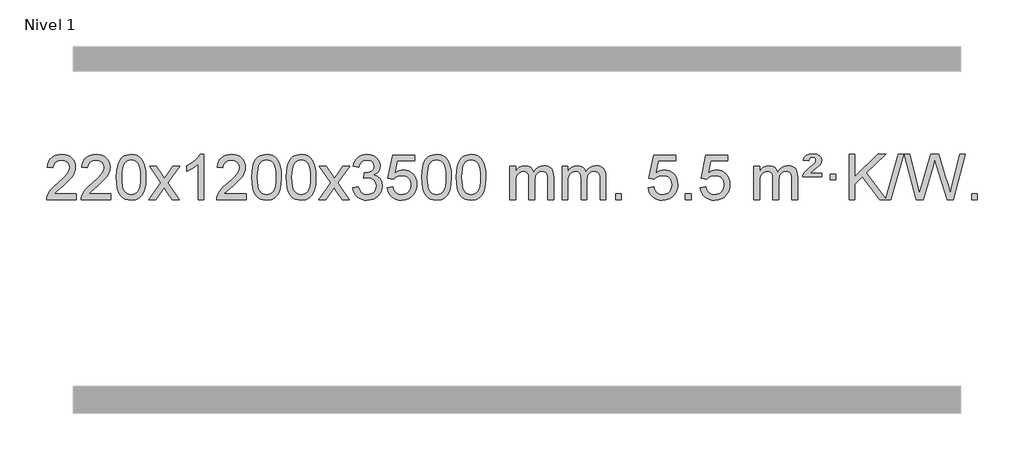
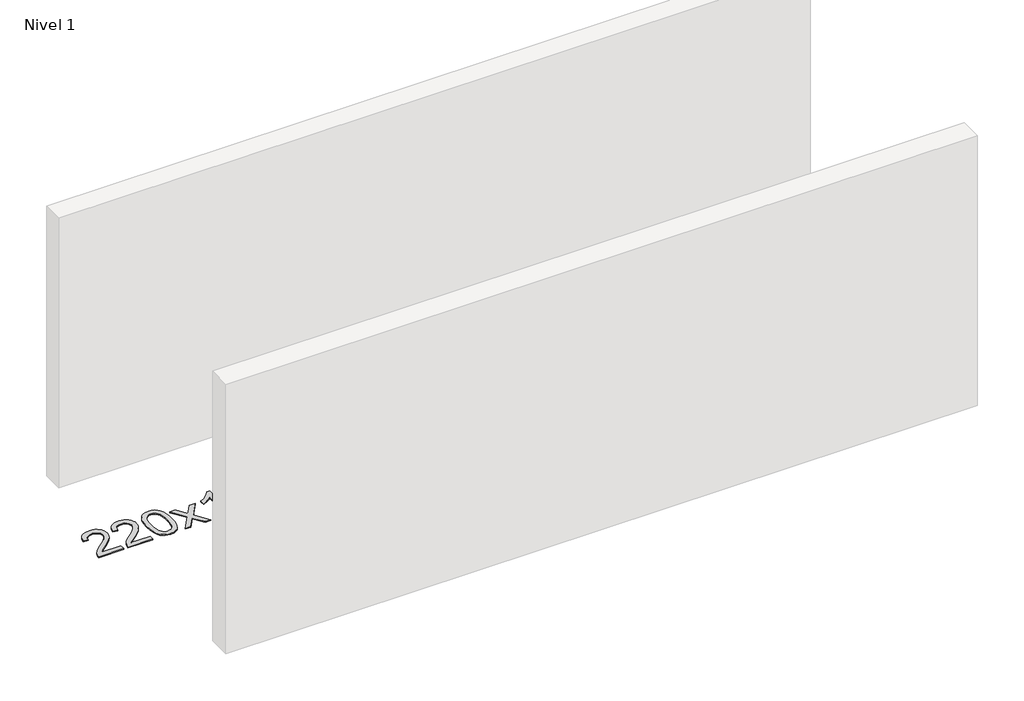
# One storey, part 6 of 14: 1 proxy.
"""IFC4 building model written with IfcOpenShell, lengths in millimetres."""

from ifc_helpers import new_model, si_unit, origin, origin_with_axes, place, context, project, spatial, polyline, outline, extrude, element, save

model = new_model("IFC4")

# Units and contexts
model_context = context("Model", 3, world=origin())
ifc_project = project(units=[si_unit("LENGTHUNIT", "METRE", prefix="MILLI")], contexts=[model_context])

# Site, building, storey
site = spatial("IfcSite", under=ifc_project)
building = spatial("IfcBuilding", under=site)
storey = spatial("IfcBuildingStorey", under=building, Name="Nivel 1", Elevation=0.0)

# Proxy
placement = place(None, origin())
element("IfcBuildingElementProxy", 1, Name="Texto de modelo 1", ObjectType="Texto de modelo 1", at=placement, inside=storey, context=model_context, shape_type="SweptSolid", body=[
    extrude(outline(polyline([(-206.3978655, -21465.3512979), (-206.3978655, -21515.579453), (-470.0956797, -21515.579453), (-468.9920337, -21497.8965918), (-464.7000771, -21480.9494945), (-452.3147166, -21453.8856424), (-434.190397, -21427.6311307), (-407.9726734, -21400.1503456), (-371.3071012, -21369.4076736), (-317.1058206, -21321.2641831), (-284.5850522, -21285.7267824), (-268.3246681, -21256.884834), (-262.90454, -21228.8277005), (-268.0180997, -21203.6768347), (-283.3587789, -21182.7688747), (-306.9400148, -21168.6789943), (-336.7752446, -21163.9823675), (-368.1065279, -21168.5686297), (-392.4480532, -21182.3274163), (-408.1566144, -21204.1796068), (-413.5890052, -21233.0460807), (-463.8171603, -21226.7675613), (-459.4976125, -21200.838012), (-451.6402663, -21178.1826125), (-440.2451215, -21158.8013627), (-425.3121781, -21142.6942627), (-407.1847928, -21130.0329907), (-386.206322, -21120.989225), (-362.3767658, -21115.5629655), (-335.6961241, -21113.7542124), (-308.7763591, -21115.7653006), (-284.8180442, -21121.7985654), (-263.8211793, -21131.8540066), (-245.7857645, -21145.9316242), (-231.3004109, -21162.9890861), (-220.9537298, -21181.9840598), (-214.7457211, -21202.9165453), (-212.6763849, -21225.7865427), (-214.9082024, -21249.8092369), (-221.6036547, -21273.4149983), (-233.4862431, -21297.4254299), (-251.2794689, -21322.6621347), (-279.6431708, -21352.7916701), (-323.2371872, -21391.4805933), (-381.0191859, -21439.795762), (-403.6807168, -21465.3512979), (-206.3978655, -21465.3512979)])), origin_with_axes(), (0.0, 0.0, 1.0), 10.0),
    extrude(outline(polyline([(101.2495843, -21465.3512979), (101.2495843, -21515.579453), (-162.4482298, -21515.579453), (-161.3445839, -21497.8965918), (-157.0526273, -21480.9494945), (-144.6672667, -21453.8856424), (-126.5429471, -21427.6311307), (-100.3252236, -21400.1503456), (-63.6596514, -21369.4076736), (-9.4583708, -21321.2641831), (23.0623976, -21285.7267824), (39.3227818, -21256.884834), (44.7429098, -21228.8277005), (39.6293501, -21203.6768347), (24.2886709, -21182.7688747), (0.707435, -21168.6789943), (-29.1277948, -21163.9823675), (-60.4590781, -21168.5686297), (-84.8006034, -21182.3274163), (-100.5091646, -21204.1796068), (-105.9415554, -21233.0460807), (-156.1697105, -21226.7675613), (-151.8501627, -21200.838012), (-143.9928164, -21178.1826125), (-132.5976716, -21158.8013627), (-117.6647283, -21142.6942627), (-99.537343, -21130.0329907), (-78.5588722, -21120.989225), (-54.729316, -21115.5629655), (-28.0486743, -21113.7542124), (-1.1289093, -21115.7653006), (22.8294057, -21121.7985654), (43.8262705, -21131.8540066), (61.8616853, -21145.9316242), (76.3470389, -21162.9890861), (86.69372, -21181.9840598), (92.9017287, -21202.9165453), (94.9710649, -21225.7865427), (92.7392475, -21249.8092369), (86.0437952, -21273.4149983), (74.1612067, -21297.4254299), (56.3679809, -21322.6621347), (28.0042791, -21352.7916701), (-15.5897374, -21391.4805933), (-73.3717361, -21439.795762), (-96.033267, -21465.3512979), (101.2495843, -21465.3512979)])), origin_with_axes(), (0.0, 0.0, 1.0), 10.0),
    extrude(outline(polyline([(151.4777394, -21317.9041943), (155.1688221, -21253.5861588), (166.2420701, -21202.2911459), (184.5871189, -21163.2343407), (196.4451819, -21148.0009605), (210.0936039, -21135.6309284), (225.5783702, -21126.0598651), (242.9454661, -21119.2233914), (283.3266464, -21113.7542124), (314.277785, -21116.991574), (341.9915619, -21126.7036586), (365.1681276, -21142.5103217), (382.5076323, -21164.0314184), (395.6042314, -21191.0830078), (406.05208, -21223.4811488), (412.8946851, -21264.6226186), (415.1755535, -21317.9041943), (411.521259, -21381.8543477), (400.5583756, -21433.0267333), (382.3236913, -21472.1203266), (370.4932195, -21487.3996922), (356.8539945, -21499.8341036), (341.3508341, -21509.4695462), (323.928556, -21516.3520052), (283.3266464, -21521.8579724), (255.6619204, -21519.4667394), (231.1364541, -21512.2930405), (209.7502474, -21500.3368757), (191.5033004, -21483.5982449), (173.9921175, -21453.3399508), (161.4841296, -21415.6381776), (153.9793369, -21370.4929255), (151.4777394, -21317.9041943)]), holes=[polyline([(201.7058944, -21317.8060924), (203.1774224, -21361.4706195), (207.5920064, -21396.8148822), (214.9496463, -21423.8388804), (225.2503421, -21442.5426142), (237.709279, -21455.2682656), (251.5416421, -21464.3580165), (266.7474312, -21469.8118671), (283.3266464, -21471.6298173), (299.9058617, -21469.8057357), (315.1116508, -21464.3334911), (328.9440138, -21455.2130833), (341.4029507, -21442.4445124), (351.7036466, -21423.7101217), (359.0612865, -21396.6922549), (363.4758705, -21361.3909118), (364.9473984, -21317.8060924), (363.5249214, -21275.2973278), (359.2574902, -21240.5753989), (352.145105, -21213.6403055), (342.1877657, -21194.4920476), (329.9372952, -21181.1440625), (315.9455167, -21171.6097875), (300.21243, -21165.8892225), (282.7380352, -21163.9823675), (266.2446591, -21165.6623619), (251.2963874, -21170.7023452), (237.89322, -21179.1023175), (226.0351571, -21190.8622786), (215.3911047, -21211.708925), (207.7882101, -21239.8151094), (203.2264734, -21275.1808319), (201.7058944, -21317.8060924)])]), origin_with_axes(), (0.0, 0.0, 1.0), 10.0),
    extrude(outline(polyline([(440.2896311, -21515.579453), (547.6130718, -21367.2494325), (446.5681504, -21220.4890419), (506.9988995, -21220.4890419), (555.7555266, -21291.122385), (578.5151594, -21324.4770192), (598.2336343, -21297.2047007), (653.7592901, -21220.4890419), (714.1900392, -21220.4890419), (608.0438209, -21367.2494325), (710.2659646, -21515.579453), (649.8352155, -21515.579453), (588.3253459, -21426.4048574), (577.0436314, -21410.1199477), (500.7203801, -21515.579453), (440.2896311, -21515.579453)])), origin_with_axes(), (0.0, 0.0, 1.0), 10.0),
    extrude(outline(polyline([(930.014143, -21515.579453), (879.785988, -21515.579453), (879.785988, -21202.4382987), (858.8167142, -21219.3976587), (832.2065832, -21236.3324932), (779.3296778, -21261.6918254), (779.3296778, -21214.2105225), (818.7788904, -21192.7507395), (852.9551278, -21167.219729), (879.8963526, -21140.0700378), (897.6405275, -21113.7542124), (930.014143, -21113.7542124), (930.014143, -21515.579453)])), origin_with_axes(), (0.0, 0.0, 1.0), 10.0),
    extrude(outline(polyline([(1306.7253061, -21465.3512979), (1306.7253061, -21515.579453), (1043.0274919, -21515.579453), (1044.1311379, -21497.8965918), (1048.4230945, -21480.9494945), (1060.808455, -21453.8856424), (1078.9327747, -21427.6311307), (1105.1504982, -21400.1503456), (1141.8160704, -21369.4076736), (1196.017351, -21321.2641831), (1228.5381194, -21285.7267824), (1244.7985036, -21256.884834), (1250.2186316, -21228.8277005), (1245.1050719, -21203.6768347), (1229.7643927, -21182.7688747), (1206.1831568, -21168.6789943), (1176.347927, -21163.9823675), (1145.0166437, -21168.5686297), (1120.6751184, -21182.3274163), (1104.9665572, -21204.1796068), (1099.5341664, -21233.0460807), (1049.3060113, -21226.7675613), (1053.6255591, -21200.838012), (1061.4829054, -21178.1826125), (1072.8780502, -21158.8013627), (1087.8109935, -21142.6942627), (1105.9383788, -21130.0329907), (1126.9168496, -21120.989225), (1150.7464058, -21115.5629655), (1177.4270475, -21113.7542124), (1204.3468125, -21115.7653006), (1228.3051275, -21121.7985654), (1249.3019923, -21131.8540066), (1267.3374071, -21145.9316242), (1281.8227607, -21162.9890861), (1292.1694418, -21181.9840598), (1298.3774505, -21202.9165453), (1300.4467867, -21225.7865427), (1298.2149693, -21249.8092369), (1291.519517, -21273.4149983), (1279.6369285, -21297.4254299), (1261.8437027, -21322.6621347), (1233.4800009, -21352.7916701), (1189.8859844, -21391.4805933), (1132.1039857, -21439.795762), (1109.4424548, -21465.3512979), (1306.7253061, -21465.3512979)])), origin_with_axes(), (0.0, 0.0, 1.0), 10.0),
    extrude(outline(polyline([(1356.9534612, -21317.9041943), (1360.6445439, -21253.5861588), (1371.7177919, -21202.2911459), (1390.0628407, -21163.2343407), (1401.9209037, -21148.0009605), (1415.5693257, -21135.6309284), (1431.054092, -21126.0598651), (1448.4211879, -21119.2233914), (1488.8023682, -21113.7542124), (1519.7535068, -21116.991574), (1547.4672837, -21126.7036586), (1570.6438494, -21142.5103217), (1587.9833541, -21164.0314184), (1601.0799532, -21191.0830078), (1611.5278018, -21223.4811488), (1618.3704069, -21264.6226186), (1620.6512753, -21317.9041943), (1616.9969808, -21381.8543477), (1606.0340974, -21433.0267333), (1587.7994131, -21472.1203266), (1575.9689413, -21487.3996922), (1562.3297163, -21499.8341036), (1546.8265559, -21509.4695462), (1529.4042778, -21516.3520052), (1488.8023682, -21521.8579724), (1461.1376422, -21519.4667394), (1436.6121759, -21512.2930405), (1415.2259692, -21500.3368757), (1396.9790222, -21483.5982449), (1379.4678393, -21453.3399508), (1366.9598514, -21415.6381776), (1359.4550587, -21370.4929255), (1356.9534612, -21317.9041943)]), holes=[polyline([(1407.1816162, -21317.8060924), (1408.6531442, -21361.4706195), (1413.0677282, -21396.8148822), (1420.4253681, -21423.8388804), (1430.7260639, -21442.5426142), (1443.1850008, -21455.2682656), (1457.0173639, -21464.3580165), (1472.223153, -21469.8118671), (1488.8023682, -21471.6298173), (1505.3815835, -21469.8057357), (1520.5873726, -21464.3334911), (1534.4197356, -21455.2130833), (1546.8786725, -21442.4445124), (1557.1793684, -21423.7101217), (1564.5370083, -21396.6922549), (1568.9515923, -21361.3909118), (1570.4231202, -21317.8060924), (1569.0006432, -21275.2973278), (1564.733212, -21240.5753989), (1557.6208268, -21213.6403055), (1547.6634875, -21194.4920476), (1535.413017, -21181.1440625), (1521.4212385, -21171.6097875), (1505.6881518, -21165.8892225), (1488.213757, -21163.9823675), (1471.7203809, -21165.6623619), (1456.7721092, -21170.7023452), (1443.3689418, -21179.1023175), (1431.5108789, -21190.8622786), (1420.8668265, -21211.708925), (1413.2639319, -21239.8151094), (1408.7021952, -21275.1808319), (1407.1816162, -21317.8060924)])]), origin_with_axes(), (0.0, 0.0, 1.0), 10.0),
    extrude(outline(polyline([(1664.600911, -21317.9041943), (1668.2919937, -21253.5861588), (1679.3652417, -21202.2911459), (1697.7102906, -21163.2343407), (1709.5683535, -21148.0009605), (1723.2167756, -21135.6309284), (1738.7015419, -21126.0598651), (1756.0686377, -21119.2233914), (1796.4498181, -21113.7542124), (1827.4009566, -21116.991574), (1855.1147336, -21126.7036586), (1878.2912993, -21142.5103217), (1895.630804, -21164.0314184), (1908.727403, -21191.0830078), (1919.1752517, -21223.4811488), (1926.0178568, -21264.6226186), (1928.2987251, -21317.9041943), (1924.6444307, -21381.8543477), (1913.6815472, -21433.0267333), (1895.446863, -21472.1203266), (1883.6163911, -21487.3996922), (1869.9771662, -21499.8341036), (1854.4740058, -21509.4695462), (1837.0517276, -21516.3520052), (1796.4498181, -21521.8579724), (1768.785092, -21519.4667394), (1744.2596257, -21512.2930405), (1722.873419, -21500.3368757), (1704.6264721, -21483.5982449), (1687.1152891, -21453.3399508), (1674.6073013, -21415.6381776), (1667.1025086, -21370.4929255), (1664.600911, -21317.9041943)]), holes=[polyline([(1714.8290661, -21317.8060924), (1716.3005941, -21361.4706195), (1720.715178, -21396.8148822), (1728.0728179, -21423.8388804), (1738.3735138, -21442.5426142), (1750.8324507, -21455.2682656), (1764.6648137, -21464.3580165), (1779.8706028, -21469.8118671), (1796.4498181, -21471.6298173), (1813.0290333, -21469.8057357), (1828.2348225, -21464.3334911), (1842.0671855, -21455.2130833), (1854.5261224, -21442.4445124), (1864.8268182, -21423.7101217), (1872.1844581, -21396.6922549), (1876.5990421, -21361.3909118), (1878.0705701, -21317.8060924), (1876.648093, -21275.2973278), (1872.3806619, -21240.5753989), (1865.2682766, -21213.6403055), (1855.3109373, -21194.4920476), (1843.0604669, -21181.1440625), (1829.0686883, -21171.6097875), (1813.3356016, -21165.8892225), (1795.8612069, -21163.9823675), (1779.3678308, -21165.6623619), (1764.419559, -21170.7023452), (1751.0163917, -21179.1023175), (1739.1583287, -21190.8622786), (1728.5142763, -21211.708925), (1720.9113817, -21239.8151094), (1716.349645, -21275.1808319), (1714.8290661, -21317.8060924)])]), origin_with_axes(), (0.0, 0.0, 1.0), 10.0),
    extrude(outline(polyline([(1953.4128027, -21515.579453), (2060.7362434, -21367.2494325), (1959.6913221, -21220.4890419), (2020.1220711, -21220.4890419), (2068.8786982, -21291.122385), (2091.638331, -21324.4770192), (2111.3568059, -21297.2047007), (2166.8824617, -21220.4890419), (2227.3132108, -21220.4890419), (2121.1669925, -21367.2494325), (2223.3891362, -21515.579453), (2162.9583871, -21515.579453), (2101.4485175, -21426.4048574), (2090.166803, -21410.1199477), (2013.8435518, -21515.579453), (1953.4128027, -21515.579453)])), origin_with_axes(), (0.0, 0.0, 1.0), 10.0),
    extrude(outline(polyline([(2254.7817331, -21408.8446235), (2305.0098882, -21402.5661041), (2316.2548145, -21434.1303793), (2332.7236652, -21455.4430095), (2355.2257805, -21467.5831154), (2384.570501, -21471.6298173), (2419.0042558, -21466.0625364), (2433.2780772, -21459.1034354), (2445.5898613, -21449.3606939), (2462.5860095, -21424.4428201), (2468.2513922, -21394.2274455), (2462.6350604, -21365.5449126), (2445.786065, -21342.2825078), (2420.27958, -21326.8682522), (2388.6907794, -21321.730167), (2353.4722097, -21327.2238715), (2359.064016, -21276.9957164), (2367.108369, -21277.5843276), (2397.2011162, -21273.979084), (2424.1055528, -21263.1633534), (2435.1788008, -21254.9841103), (2443.0882637, -21244.8673555), (2447.8339415, -21232.8130888), (2449.415834, -21218.8213102), (2444.8295718, -21197.1285352), (2431.0707852, -21179.5315131), (2410.076986, -21167.8696539), (2383.7856861, -21163.9823675), (2357.4453352, -21167.9064421), (2335.9119758, -21179.6786659), (2320.1911519, -21199.299039), (2311.2884076, -21226.7675613), (2261.0602525, -21220.4890419), (2267.0138095, -21196.5092672), (2275.8491087, -21175.3867093), (2287.5661503, -21157.1213683), (2302.1649341, -21141.713244), (2319.1856077, -21129.4811677), (2338.1683187, -21120.7439703), (2359.113067, -21115.5016519), (2382.0198525, -21113.7542124), (2413.5963904, -21117.2000404), (2442.5977544, -21127.5375245), (2467.0496443, -21143.8469596), (2484.9777602, -21165.2086408), (2495.9774319, -21189.8199463), (2499.6439891, -21215.8782543), (2496.1613729, -21240.1584659), (2485.7135242, -21262.1823347), (2468.4475959, -21280.9443165), (2444.5107408, -21295.4388671), (2475.9523886, -21308.1430586), (2499.2515817, -21329.77452), (2513.6725559, -21359.1560286), (2518.4795473, -21395.1103623), (2516.0760516, -21420.5923218), (2508.8655645, -21444.0631931), (2496.848086, -21465.5229762), (2480.023616, -21484.971671), (2459.5264575, -21501.1094278), (2436.4909133, -21512.636397), (2410.9169832, -21519.5525785), (2382.8046674, -21521.8579724), (2357.3962843, -21519.8898037), (2334.2442441, -21513.9852977), (2313.3485468, -21504.1444543), (2294.7091923, -21490.3672736), (2279.0803389, -21473.4630959), (2267.2161446, -21454.2412617), (2259.1166093, -21432.7017708), (2254.7817331, -21408.8446235)])), origin_with_axes(), (0.0, 0.0, 1.0), 10.0),
    extrude(outline(polyline([(2562.429183, -21408.8446235), (2612.657338, -21402.5661041), (2621.8789134, -21432.7201649), (2637.9676193, -21454.3148381), (2660.8498794, -21467.3010725), (2690.4521173, -21471.6298173), (2709.581981, -21470.1245668), (2726.4555019, -21465.6088153), (2741.0726798, -21458.0825628), (2753.4335149, -21447.5458094), (2763.2620955, -21434.519721), (2770.2825102, -21419.5254641), (2775.898842, -21383.6324441), (2770.6381295, -21349.8363514), (2764.0622388, -21335.9181493), (2754.8559919, -21323.9865099), (2742.9887319, -21314.4154467), (2728.4298019, -21307.5789729), (2691.2369322, -21302.1097939), (2666.8708814, -21304.2925604), (2647.1401437, -21310.8408599), (2631.3825316, -21320.8717757), (2618.9358574, -21333.5023908), (2568.7077023, -21327.2238715), (2612.657338, -21120.0327318), (2807.291439, -21120.0327318), (2807.291439, -21170.2608869), (2653.2715103, -21170.2608869), (2631.7872018, -21280.919791), (2649.5129826, -21268.2155994), (2667.667959, -21259.1411769), (2686.2521312, -21253.6965234), (2705.265499, -21251.8816388), (2729.726586, -21254.1318504), (2752.1949788, -21260.882485), (2772.6706775, -21272.1335427), (2791.1536821, -21287.8850234), (2806.4545074, -21307.1743027), (2817.3836684, -21329.038756), (2823.9411649, -21353.4783832), (2826.1269971, -21380.4931844), (2824.1588284, -21406.5147042), (2818.2543224, -21430.7213394), (2808.413479, -21453.1130902), (2794.6362983, -21473.6899565), (2773.7651265, -21494.7634634), (2749.4113384, -21509.8159684), (2721.5749341, -21518.8474714), (2690.2559136, -21521.8579724), (2664.3355613, -21519.9235262), (2640.922938, -21514.1201877), (2620.0180436, -21504.447957), (2601.6208782, -21490.9068338), (2586.3139215, -21474.1712688), (2574.6796534, -21454.915712), (2566.7180739, -21433.1401636), (2562.429183, -21408.8446235)])), origin_with_axes(), (0.0, 0.0, 1.0), 10.0),
    extrude(outline(polyline([(2870.0766328, -21317.9041943), (2873.7677155, -21253.5861588), (2884.8409635, -21202.2911459), (2903.1860124, -21163.2343407), (2915.0440753, -21148.0009605), (2928.6924974, -21135.6309284), (2944.1772637, -21126.0598651), (2961.5443595, -21119.2233914), (3001.9255399, -21113.7542124), (3032.8766784, -21116.991574), (3060.5904554, -21126.7036586), (3083.7670211, -21142.5103217), (3101.1065258, -21164.0314184), (3114.2031248, -21191.0830078), (3124.6509735, -21223.4811488), (3131.4935786, -21264.6226186), (3133.7744469, -21317.9041943), (3130.1201525, -21381.8543477), (3119.157269, -21433.0267333), (3100.9225848, -21472.1203266), (3089.0921129, -21487.3996922), (3075.452888, -21499.8341036), (3059.9497276, -21509.4695462), (3042.5274494, -21516.3520052), (3001.9255399, -21521.8579724), (2974.2608138, -21519.4667394), (2949.7353475, -21512.2930405), (2928.3491408, -21500.3368757), (2910.1021939, -21483.5982449), (2892.5910109, -21453.3399508), (2880.0830231, -21415.6381776), (2872.5782304, -21370.4929255), (2870.0766328, -21317.9041943)]), holes=[polyline([(2920.3047879, -21317.8060924), (2921.7763158, -21361.4706195), (2926.1908998, -21396.8148822), (2933.5485397, -21423.8388804), (2943.8492356, -21442.5426142), (2956.3081725, -21455.2682656), (2970.1405355, -21464.3580165), (2985.3463246, -21469.8118671), (3001.9255399, -21471.6298173), (3018.5047551, -21469.8057357), (3033.7105442, -21464.3334911), (3047.5429073, -21455.2130833), (3060.0018442, -21442.4445124), (3070.30254, -21423.7101217), (3077.6601799, -21396.6922549), (3082.0747639, -21361.3909118), (3083.5462919, -21317.8060924), (3082.1238148, -21275.2973278), (3077.8563837, -21240.5753989), (3070.7439984, -21213.6403055), (3060.7866591, -21194.4920476), (3048.5361887, -21181.1440625), (3034.5444101, -21171.6097875), (3018.8113234, -21165.8892225), (3001.3369287, -21163.9823675), (2984.8435526, -21165.6623619), (2969.8952808, -21170.7023452), (2956.4921135, -21179.1023175), (2944.6340505, -21190.8622786), (2933.9899981, -21211.708925), (2926.3871035, -21239.8151094), (2921.8253668, -21275.1808319), (2920.3047879, -21317.8060924)])]), origin_with_axes(), (0.0, 0.0, 1.0), 10.0),
    extrude(outline(polyline([(3177.7240826, -21317.9041943), (3181.4151653, -21253.5861588), (3192.4884134, -21202.2911459), (3210.8334622, -21163.2343407), (3222.6915252, -21148.0009605), (3236.3399472, -21135.6309284), (3251.8247135, -21126.0598651), (3269.1918094, -21119.2233914), (3309.5729897, -21113.7542124), (3340.5241282, -21116.991574), (3368.2379052, -21126.7036586), (3391.4144709, -21142.5103217), (3408.7539756, -21164.0314184), (3421.8505746, -21191.0830078), (3432.2984233, -21223.4811488), (3439.1410284, -21264.6226186), (3441.4218968, -21317.9041943), (3437.7676023, -21381.8543477), (3426.8047188, -21433.0267333), (3408.5700346, -21472.1203266), (3396.7395628, -21487.3996922), (3383.1003378, -21499.8341036), (3367.5971774, -21509.4695462), (3350.1748992, -21516.3520052), (3309.5729897, -21521.8579724), (3281.9082637, -21519.4667394), (3257.3827973, -21512.2930405), (3235.9965907, -21500.3368757), (3217.7496437, -21483.5982449), (3200.2384607, -21453.3399508), (3187.7304729, -21415.6381776), (3180.2256802, -21370.4929255), (3177.7240826, -21317.9041943)]), holes=[polyline([(3227.9522377, -21317.8060924), (3229.4237657, -21361.4706195), (3233.8383496, -21396.8148822), (3241.1959895, -21423.8388804), (3251.4966854, -21442.5426142), (3263.9556223, -21455.2682656), (3277.7879853, -21464.3580165), (3292.9937744, -21469.8118671), (3309.5729897, -21471.6298173), (3326.1522049, -21469.8057357), (3341.3579941, -21464.3334911), (3355.1903571, -21455.2130833), (3367.649294, -21442.4445124), (3377.9499899, -21423.7101217), (3385.3076298, -21396.6922549), (3389.7222137, -21361.3909118), (3391.1937417, -21317.8060924), (3389.7712646, -21275.2973278), (3385.5038335, -21240.5753989), (3378.3914483, -21213.6403055), (3368.4341089, -21194.4920476), (3356.1836385, -21181.1440625), (3342.1918599, -21171.6097875), (3326.4587733, -21165.8892225), (3308.9843785, -21163.9823675), (3292.4910024, -21165.6623619), (3277.5427307, -21170.7023452), (3264.1395633, -21179.1023175), (3252.2815003, -21190.8622786), (3241.6374479, -21211.708925), (3234.0345534, -21239.8151094), (3229.4728166, -21275.1808319), (3227.9522377, -21317.8060924)])]), origin_with_axes(), (0.0, 0.0, 1.0), 10.0),
    extrude(outline(polyline([(3654.8915558, -21515.579453), (3654.8915558, -21220.4890419), (3705.1197109, -21220.4890419), (3705.1197109, -21269.0494653), (3720.2273982, -21246.7435537), (3739.6515675, -21229.2691589), (3762.7300314, -21217.9751816), (3788.8006021, -21214.2105225), (3816.7351082, -21218.048758), (3839.126859, -21229.5634645), (3855.8532271, -21247.9943524), (3866.7915851, -21272.5811324), (3885.0998457, -21247.0439906), (3905.9832803, -21228.803175), (3929.4418888, -21217.8586857), (3955.4756714, -21214.2105225), (3975.5834881, -21215.7280358), (3993.2326268, -21220.2805755), (4008.4230875, -21227.8681416), (4021.1548702, -21238.4907342), (4031.2195085, -21252.2709806), (4038.4085358, -21269.3315082), (4042.7219522, -21289.6723168), (4044.1597577, -21313.2934066), (4044.1597577, -21515.579453), (3993.9316026, -21515.579453), (3993.9316026, -21334.875817), (3992.7666429, -21309.8230531), (3989.271764, -21292.9372695), (3982.7234645, -21281.3735121), (3972.3982431, -21272.2868268), (3959.1177031, -21266.4007149), (3943.7034475, -21264.4386776), (3916.4924426, -21269.4663982), (3894.3091583, -21284.54956), (3885.7037853, -21296.1194488), (3879.5570903, -21310.7182326), (3874.6397343, -21349.0024856), (3874.6397343, -21515.579453), (3824.4115792, -21515.579453), (3824.4115792, -21329.2840106), (3821.5053115, -21300.8835206), (3812.7865082, -21280.6254854), (3797.445829, -21268.4853796), (3774.6739335, -21264.4386776), (3755.3233405, -21267.1364789), (3737.4933265, -21275.2298828), (3722.7780467, -21288.5226856), (3712.7716564, -21306.8186835), (3707.0326973, -21332.2025411), (3705.1197109, -21366.7589232), (3705.1197109, -21515.579453), (3654.8915558, -21515.579453)])), origin_with_axes(), (0.0, 0.0, 1.0), 10.0),
    extrude(outline(polyline([(4119.5019903, -21515.579453), (4119.5019903, -21220.4890419), (4169.7301454, -21220.4890419), (4169.7301454, -21269.0494653), (4184.8378326, -21246.7435537), (4204.262002, -21229.2691589), (4227.3404658, -21217.9751816), (4253.4110365, -21214.2105225), (4281.3455427, -21218.048758), (4303.7372935, -21229.5634645), (4320.4636615, -21247.9943524), (4331.4020195, -21272.5811324), (4349.7102801, -21247.0439906), (4370.5937147, -21228.803175), (4394.0523233, -21217.8586857), (4420.0861058, -21214.2105225), (4440.1939225, -21215.7280358), (4457.8430612, -21220.2805755), (4473.033522, -21227.8681416), (4485.7653047, -21238.4907342), (4495.8299429, -21252.2709806), (4503.0189703, -21269.3315082), (4507.3323866, -21289.6723168), (4508.7701921, -21313.2934066), (4508.7701921, -21515.579453), (4458.542037, -21515.579453), (4458.542037, -21334.875817), (4457.3770774, -21309.8230531), (4453.8821984, -21292.9372695), (4447.3338989, -21281.3735121), (4437.0086776, -21272.2868268), (4423.7281376, -21266.4007149), (4408.313882, -21264.4386776), (4381.1028771, -21269.4663982), (4358.9195927, -21284.54956), (4350.3142197, -21296.1194488), (4344.1675247, -21310.7182326), (4339.2501687, -21349.0024856), (4339.2501687, -21515.579453), (4289.0220137, -21515.579453), (4289.0220137, -21329.2840106), (4286.1157459, -21300.8835206), (4277.3969426, -21280.6254854), (4262.0562634, -21268.4853796), (4239.2843679, -21264.4386776), (4219.933775, -21267.1364789), (4202.1037609, -21275.2298828), (4187.3884811, -21288.5226856), (4177.3820909, -21306.8186835), (4171.6431317, -21332.2025411), (4169.7301454, -21366.7589232), (4169.7301454, -21515.579453), (4119.5019903, -21515.579453)])), origin_with_axes(), (0.0, 0.0, 1.0), 10.0),
    extrude(outline(polyline([(4596.6694635, -21515.579453), (4596.6694635, -21465.3512979), (4646.8976186, -21465.3512979), (4646.8976186, -21515.579453), (4596.6694635, -21515.579453)])), origin_with_axes(), (0.0, 0.0, 1.0), 10.0),
    extrude(outline(polyline([(4885.4813552, -21408.8446235), (4935.7095102, -21402.5661041), (4944.9310856, -21432.7201649), (4961.0197915, -21454.3148381), (4983.9020516, -21467.3010725), (5013.5042895, -21471.6298173), (5032.6341532, -21470.1245668), (5049.5076741, -21465.6088153), (5064.124852, -21458.0825628), (5076.4856871, -21447.5458094), (5086.3142677, -21434.519721), (5093.3346824, -21419.5254641), (5098.9510142, -21383.6324441), (5093.6903017, -21349.8363514), (5087.114411, -21335.9181493), (5077.9081641, -21323.9865099), (5066.0409041, -21314.4154467), (5051.4819741, -21307.5789729), (5014.2891044, -21302.1097939), (4989.9230536, -21304.2925604), (4970.1923159, -21310.8408599), (4954.4347038, -21320.8717757), (4941.9880296, -21333.5023908), (4891.7598746, -21327.2238715), (4935.7095102, -21120.0327318), (5130.3436112, -21120.0327318), (5130.3436112, -21170.2608869), (4976.3236825, -21170.2608869), (4954.839374, -21280.919791), (4972.5651548, -21268.2155994), (4990.7201313, -21259.1411769), (5009.3043034, -21253.6965234), (5028.3176712, -21251.8816388), (5052.7787582, -21254.1318504), (5075.247151, -21260.882485), (5095.7228497, -21272.1335427), (5114.2058543, -21287.8850234), (5129.5066796, -21307.1743027), (5140.4358406, -21329.038756), (5146.9933371, -21353.4783832), (5149.1791693, -21380.4931844), (5147.2110006, -21406.5147042), (5141.3064946, -21430.7213394), (5131.4656512, -21453.1130902), (5117.6884705, -21473.6899565), (5096.8172987, -21494.7634634), (5072.4635106, -21509.8159684), (5044.6271063, -21518.8474714), (5013.3080858, -21521.8579724), (4987.3877335, -21519.9235262), (4963.9751102, -21514.1201877), (4943.0702158, -21504.447957), (4924.6730504, -21490.9068338), (4909.3660937, -21474.1712688), (4897.7318256, -21454.915712), (4889.7702461, -21433.1401636), (4885.4813552, -21408.8446235)])), origin_with_axes(), (0.0, 0.0, 1.0), 10.0),
    extrude(outline(polyline([(5218.2428825, -21515.579453), (5218.2428825, -21465.3512979), (5268.4710376, -21465.3512979), (5268.4710376, -21515.579453), (5218.2428825, -21515.579453)])), origin_with_axes(), (0.0, 0.0, 1.0), 10.0),
    extrude(outline(polyline([(5350.0917896, -21408.8446235), (5400.3199447, -21402.5661041), (5409.54152, -21432.7201649), (5425.630226, -21454.3148381), (5448.5124861, -21467.3010725), (5478.1147239, -21471.6298173), (5497.2445877, -21470.1245668), (5514.1181085, -21465.6088153), (5528.7352865, -21458.0825628), (5541.0961215, -21447.5458094), (5550.9247021, -21434.519721), (5557.9451169, -21419.5254641), (5563.5614487, -21383.6324441), (5558.3007361, -21349.8363514), (5551.7248455, -21335.9181493), (5542.5185986, -21323.9865099), (5530.6513385, -21314.4154467), (5516.0924086, -21307.5789729), (5478.8995389, -21302.1097939), (5454.533488, -21304.2925604), (5434.8027504, -21310.8408599), (5419.0451382, -21320.8717757), (5406.5984641, -21333.5023908), (5356.370309, -21327.2238715), (5400.3199447, -21120.0327318), (5594.9540456, -21120.0327318), (5594.9540456, -21170.2608869), (5440.934117, -21170.2608869), (5419.4498084, -21280.919791), (5437.1755892, -21268.2155994), (5455.3305657, -21259.1411769), (5473.9147378, -21253.6965234), (5492.9281056, -21251.8816388), (5517.3891926, -21254.1318504), (5539.8575855, -21260.882485), (5560.3332842, -21272.1335427), (5578.8162887, -21287.8850234), (5594.1171141, -21307.1743027), (5605.046275, -21329.038756), (5611.6037716, -21353.4783832), (5613.7896038, -21380.4931844), (5611.8214351, -21406.5147042), (5605.9169291, -21430.7213394), (5596.0760857, -21453.1130902), (5582.298905, -21473.6899565), (5561.4277331, -21494.7634634), (5537.073945, -21509.8159684), (5509.2375407, -21518.8474714), (5477.9185202, -21521.8579724), (5451.998168, -21519.9235262), (5428.5855447, -21514.1201877), (5407.6806503, -21504.447957), (5389.2834848, -21490.9068338), (5373.9765281, -21474.1712688), (5362.3422601, -21454.915712), (5354.3806805, -21433.1401636), (5350.0917896, -21408.8446235)])), origin_with_axes(), (0.0, 0.0, 1.0), 10.0),
    extrude(outline(polyline([(5827.2592628, -21515.579453), (5827.2592628, -21220.4890419), (5877.4874179, -21220.4890419), (5877.4874179, -21269.0494653), (5892.5951052, -21246.7435537), (5912.0192745, -21229.2691589), (5935.0977383, -21217.9751816), (5961.1683091, -21214.2105225), (5989.1028152, -21218.048758), (6011.494566, -21229.5634645), (6028.2209341, -21247.9943524), (6039.159292, -21272.5811324), (6057.4675527, -21247.0439906), (6078.3509873, -21228.803175), (6101.8095958, -21217.8586857), (6127.8433783, -21214.2105225), (6147.9511951, -21215.7280358), (6165.6003338, -21220.2805755), (6180.7907945, -21227.8681416), (6193.5225772, -21238.4907342), (6203.5872155, -21252.2709806), (6210.7762428, -21269.3315082), (6215.0896592, -21289.6723168), (6216.5274647, -21313.2934066), (6216.5274647, -21515.579453), (6166.2993096, -21515.579453), (6166.2993096, -21334.875817), (6165.1343499, -21309.8230531), (6161.639471, -21292.9372695), (6155.0911715, -21281.3735121), (6144.7659501, -21272.2868268), (6131.4854101, -21266.4007149), (6116.0711545, -21264.4386776), (6088.8601496, -21269.4663982), (6066.6768653, -21284.54956), (6058.0714923, -21296.1194488), (6051.9247973, -21310.7182326), (6047.0074413, -21349.0024856), (6047.0074413, -21515.579453), (5996.7792862, -21515.579453), (5996.7792862, -21329.2840106), (5993.8730184, -21300.8835206), (5985.1542152, -21280.6254854), (5969.813536, -21268.4853796), (5947.0416405, -21264.4386776), (5927.6910475, -21267.1364789), (5909.8610335, -21275.2298828), (5895.1457537, -21288.5226856), (5885.1393634, -21306.8186835), (5879.4004043, -21332.2025411), (5877.4874179, -21366.7589232), (5877.4874179, -21515.579453), (5827.2592628, -21515.579453)])), origin_with_axes(), (0.0, 0.0, 1.0), 10.0),
    extrude(outline(polyline([(6260.4771003, -21314.6668327), (6264.3030731, -21298.8479069), (6272.6417317, -21282.9799302), (6294.1505656, -21257.8413272), (6326.1072483, -21230.1030247), (6370.2530877, -21192.726214), (6377.3899984, -21181.1992448), (6379.7689686, -21169.3779701), (6377.8805077, -21157.2869152), (6372.215125, -21147.5012541), (6362.8463969, -21141.026531), (6349.8478997, -21138.8682899), (6337.4134883, -21140.4869707), (6328.5597949, -21145.343013), (6322.1341227, -21154.8098431), (6316.9837748, -21170.2608869), (6266.7556197, -21163.9823675), (6277.5958759, -21138.7701881), (6294.224142, -21121.2099542), (6317.9893189, -21110.9092583), (6350.2403072, -21107.475693), (6386.0229626, -21111.6082341), (6410.7691581, -21124.0058573), (6425.1901323, -21142.3386434), (6429.9971237, -21164.2766731), (6425.9013708, -21187.1834586), (6413.6141122, -21208.8149199), (6393.0862969, -21228.6314968), (6356.6169284, -21256.6886303), (6331.0123416, -21283.2742358), (6429.9971237, -21283.2742358), (6429.9971237, -21314.6668327), (6260.4771003, -21314.6668327)])), origin_with_axes(), (0.0, 0.0, 1.0), 10.0),
    extrude(outline(polyline([(6505.3393563, -21339.7809102), (6505.3393563, -21289.5527552), (6555.5675114, -21289.5527552), (6555.5675114, -21339.7809102), (6505.3393563, -21339.7809102)])), origin_with_axes(), (0.0, 0.0, 1.0), 10.0),
    extrude(outline(polyline([(6946.2091394, -21515.579453), (6792.7778219, -21312.9009991), (6725.0875348, -21377.4520265), (6725.0875348, -21515.579453), (6674.8593797, -21515.579453), (6674.8593797, -21113.7542124), (6725.0875348, -21113.7542124), (6725.0875348, -21310.4484525), (6931.1014521, -21113.7542124), (7001.3423877, -21113.7542124), (6828.388799, -21278.9577537), (7003.0424089, -21509.5349332), (7114.3557366, -21113.7542124), (7159.6787984, -21113.7542124), (7046.6654495, -21515.579453), (7007.6209071, -21515.579453), (7001.3423877, -21515.579453), (6946.2091394, -21515.579453)])), origin_with_axes(), (0.0, 0.0, 1.0), 10.0),
    extrude(outline(polyline([(7274.1636753, -21515.579453), (7164.5838917, -21113.7542124), (7216.3816766, -21113.7542124), (7279.9516854, -21377.844434), (7299.5720585, -21459.3670841), (7320.5658576, -21387.2622131), (7400.2245723, -21113.7542124), (7474.8800919, -21113.7542124), (7532.7601925, -21312.0180823), (7557.5554389, -21385.5944814), (7575.8269114, -21459.3670841), (7594.8586732, -21380.1988788), (7659.0172932, -21113.7542124), (7710.8150781, -21113.7542124), (7601.1371926, -21515.579453), (7547.4754723, -21515.579453), (7451.1394405, -21205.5775584), (7437.6994849, -21162.3146358), (7422.5917976, -21214.4067263), (7334.7906281, -21515.579453), (7274.1636753, -21515.579453)])), origin_with_axes(), (0.0, 0.0, 1.0), 10.0),
    extrude(outline(polyline([(7767.3217526, -21515.579453), (7767.3217526, -21465.3512979), (7817.5499077, -21465.3512979), (7817.5499077, -21515.579453), (7767.3217526, -21515.579453)])), origin_with_axes(), (0.0, 0.0, 1.0), 10.0),
])

save(model, "model.ifc")
